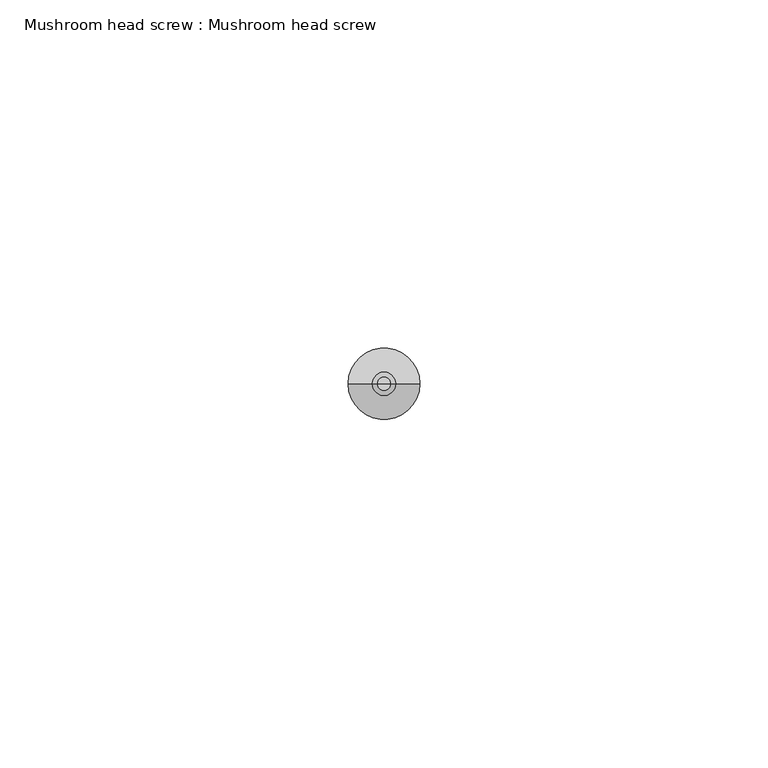
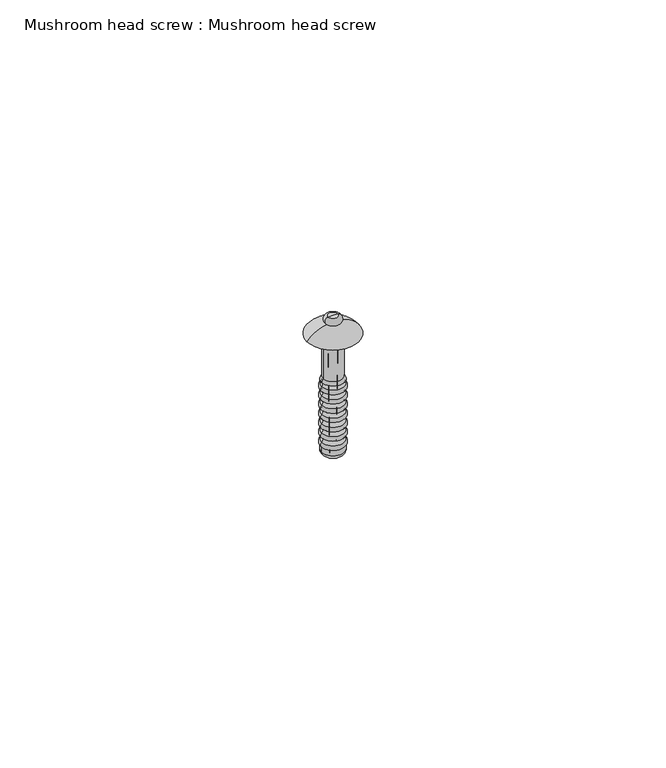
"""IFC4 building model written with IfcOpenShell, lengths in millimetres: proxy geometry, Mushroom head screw : Mushroom head screw."""

import ifcopenshell
import ifcopenshell.guid

model = None  # the IFC model being written
_history = None  # IfcOwnerHistory: only IFC2X3 demands one
_inside = {}  # id of a spatial element -> (the spatial element, [elements in it])
_under = {}  # id of a project, library or spatial element -> (it, [spatial elements below it])
_declared = {}  # id of a project -> (the project, [libraries it declares])
_typed = {}  # id of a type object -> (the type object, [elements of that type])
_made_of = {}  # id of a material, layer set ... -> (it, [elements and type objects made of it])


def new_model(schema):
    """Start an empty IFC model of exactly this schema.

    Asked for "IFC4X3", IfcOpenShell would pick the latest addendum, in which some entities
    have other attributes; the version numbers below select the first issue.
    IFC2X3 requires an IfcOwnerHistory on every rooted entity: one is made here for all.
    """
    global model, _history
    if schema == "IFC4X3":
        model = ifcopenshell.file(schema_version=(4, 3, 0, 0))
    else:
        model = ifcopenshell.file(schema=schema)
    _inside.clear()
    _under.clear()
    _declared.clear()
    _typed.clear()
    _made_of.clear()
    _history = None
    if model.schema == "IFC2X3":
        org = make("IfcOrganization", Name="unknown")
        user = make(
            "IfcPersonAndOrganization",
            ThePerson=make("IfcPerson", FamilyName="unknown"),
            TheOrganization=org,
        )
        app = make(
            "IfcApplication",
            ApplicationDeveloper=org,
            Version="unknown",
            ApplicationFullName="unknown",
            ApplicationIdentifier="unknown",
        )
        _history = make(
            "IfcOwnerHistory",
            OwningUser=user,
            OwningApplication=app,
            ChangeAction="ADDED",
            CreationDate=0,
        )
    return model


def make(cls, **values):
    """One entity of the class cls with the attributes given. An attribute that is None is left unset."""
    return model.create_entity(
        cls, **{name: value for name, value in values.items() if value is not None}
    )


def rooted(cls, **values):
    """An entity with a GlobalId (a new one), such as an element, a storey or a relation."""
    return make(cls, GlobalId=ifcopenshell.guid.new(), OwnerHistory=_history, **values)


def si_unit(unit_type, name, prefix=None):
    """IfcSIUnit, for example si_unit("LENGTHUNIT", "METRE", prefix="MILLI")."""
    return make("IfcSIUnit", UnitType=unit_type, Prefix=prefix, Name=name)


def assignment(units):
    """IfcUnitAssignment: the units of a project."""
    return None if units is None else make("IfcUnitAssignment", Units=units)


def point(xyz):
    """IfcCartesianPoint."""
    return None if xyz is None else make("IfcCartesianPoint", Coordinates=xyz)


def direction(xyz):
    """IfcDirection."""
    return None if xyz is None else make("IfcDirection", DirectionRatios=xyz)


def frame(location, z_axis=None, x_axis=None):
    """IfcAxis2Placement3D, a coordinate frame: its origin and axes. An axis left out is left unset."""
    return make(
        "IfcAxis2Placement3D",
        Location=point(location),
        Axis=direction(z_axis),
        RefDirection=direction(x_axis),
    )


def origin():
    """The frame at (0, 0, 0) with its axes left unset."""
    return frame((0.0, 0.0, 0.0))


def place(relative_to, where):
    """IfcLocalPlacement: puts the frame where relative to a parent placement (None: the world)."""
    return make(
        "IfcLocalPlacement", PlacementRelTo=relative_to, RelativePlacement=where
    )


def context(
    kind, dimensions, precision=None, world=None, true_north=None, identifier=None
):
    """IfcGeometricRepresentationContext, for example the 3D "Model" context."""
    return make(
        "IfcGeometricRepresentationContext",
        ContextIdentifier=identifier,
        ContextType=kind,
        CoordinateSpaceDimension=dimensions,
        Precision=precision,
        WorldCoordinateSystem=world,
        TrueNorth=true_north,
    )


def project(units=None, contexts=None):
    """IfcProject with its units and contexts."""
    return rooted(
        "IfcProject",
        Name="project",
        RepresentationContexts=contexts,
        UnitsInContext=assignment(units),
    )


def spatial(cls, under=None, at=None, **own):
    """A site, building, storey or space (cls), placed at a placement, below another one or the project."""
    s = rooted(cls, ObjectPlacement=at, **own)
    if under is not None:
        _under.setdefault(under.id(), (under, []))[1].append(s)
    return s


def polyline(points):
    """IfcPolyline through the points."""
    return make("IfcPolyline", Points=[point(p) for p in points])


def circle_curve(where, radius):
    """IfcCircle in the frame where."""
    return make("IfcCircle", Position=where, Radius=radius)


def ellipse_curve(where, semi_axis1, semi_axis2):
    """IfcEllipse in the frame where."""
    return make(
        "IfcEllipse", Position=where, SemiAxis1=semi_axis1, SemiAxis2=semi_axis2
    )


def trimmed(basis, trim1, trim2, sense, master):
    """IfcTrimmedCurve: the piece of a basis curve between two trims."""
    return make(
        "IfcTrimmedCurve",
        BasisCurve=basis,
        Trim1=trim1,
        Trim2=trim2,
        SenseAgreement=sense,
        MasterRepresentation=master,
    )


def shape(context_of_items, identifier, shape_type, items):
    """IfcShapeRepresentation: the items that make up one representation, for example the "Body"."""
    return make(
        "IfcShapeRepresentation",
        ContextOfItems=context_of_items,
        RepresentationIdentifier=identifier,
        RepresentationType=shape_type,
        Items=items,
    )


def source(mapping_origin, context_of_items, identifier, shape_type, items):
    """IfcRepresentationMap: a shape defined once, which mapped items show again and again."""
    return make(
        "IfcRepresentationMap",
        MappingOrigin=mapping_origin,
        MappedRepresentation=shape(context_of_items, identifier, shape_type, items),
    )


def transform(
    local_origin,
    x_axis=None,
    y_axis=None,
    z_axis=None,
    scale=None,
    scale2=None,
    scale3=None,
    uniform=True,
):
    """IfcCartesianTransformationOperator3D, or its non-uniform kind. x_axis, y_axis, z_axis: its Axis1, 2, 3."""
    if uniform:
        return make(
            "IfcCartesianTransformationOperator3D",
            Axis1=direction(x_axis),
            Axis2=direction(y_axis),
            LocalOrigin=point(local_origin),
            Scale=scale,
            Axis3=direction(z_axis),
        )
    return make(
        "IfcCartesianTransformationOperator3DnonUniform",
        Axis1=direction(x_axis),
        Axis2=direction(y_axis),
        LocalOrigin=point(local_origin),
        Scale=scale,
        Axis3=direction(z_axis),
        Scale2=scale2,
        Scale3=scale3,
    )


def mapped(mapping_source, mapping_target):
    """IfcMappedItem: shows the shape of a source again, moved by a transform."""
    return make(
        "IfcMappedItem", MappingSource=mapping_source, MappingTarget=mapping_target
    )


def made_of(thing, what):
    """Note that an element or type object is made of a material, layer set ...; save() writes the relation."""
    if what is not None:
        _made_of.setdefault(what.id(), (what, []))[1].append(thing)
    return thing


def element(
    cls,
    number,
    at=None,
    inside=None,
    cuts=None,
    type_object=None,
    material=None,
    context=None,
    identifier="Body",
    shape_type=None,
    held_by="IfcProductDefinitionShape",
    body=None,
    shapes=None,
    **own,
):
    """One element of the class cls, such as IfcWall. Its Tag is "e" and its number.

    at: its placement. inside: the storey or other place that contains it. cuts: it is an
    opening in that element (IfcRelVoidsElement). A single representation is given by context,
    identifier, shape_type and body (its items); several are given by shapes. held_by: the class
    of the entity that holds the representations. save() writes the other relations.
    """
    e = rooted(cls, Tag="e%d" % number, ObjectPlacement=at, **own)
    if body is not None:
        shapes = [shape(context, identifier, shape_type, body)]
    if shapes is not None:
        e.Representation = make(held_by, Representations=shapes)
    if inside is not None:
        _inside.setdefault(inside.id(), (inside, []))[1].append(e)
    if cuts is not None:
        rooted(
            "IfcRelVoidsElement", RelatingBuildingElement=cuts, RelatedOpeningElement=e
        )
    if type_object is not None:
        _typed.setdefault(type_object.id(), (type_object, []))[1].append(e)
    return made_of(e, material)


def aggregate(whole, parts):
    """IfcRelAggregates: a whole, such as a stair, and the parts it consists of."""
    return rooted("IfcRelAggregates", RelatingObject=whole, RelatedObjects=parts)


def save(model, path):
    """Write the relations noted so far, then the file.

    IfcRelAggregates (storeys below a building ...), IfcRelContainedInSpatialStructure (elements
    in a storey), IfcRelDefinesByType, IfcRelAssociatesMaterial and IfcRelDeclares: one each for
    every whole, place, type object, material and project.
    """
    for whole, parts in _under.values():
        aggregate(whole, parts)
    for where, things in _inside.values():
        rooted(
            "IfcRelContainedInSpatialStructure",
            RelatedElements=things,
            RelatingStructure=where,
        )
    for kind, things in _typed.values():
        rooted("IfcRelDefinesByType", RelatedObjects=things, RelatingType=kind)
    for what, things in _made_of.values():
        rooted("IfcRelAssociatesMaterial", RelatedObjects=things, RelatingMaterial=what)
    for by, libraries in _declared.values():
        rooted("IfcRelDeclares", RelatingContext=by, RelatedDefinitions=libraries)
    model.write(path)


def plane_surface(at):
    """IfcPlane: the flat surface through the origin of the frame at, square to its z axis."""
    return make("IfcPlane", Position=at)


def cylinder_surface(at, radius):
    """IfcCylindricalSurface: all points at the distance radius from the z axis of the frame at."""
    return make("IfcCylindricalSurface", Position=at, Radius=radius)


def revolved_surface(curve, axis_point, axis_direction):
    """IfcSurfaceOfRevolution: the curve turned about the line through axis_point along axis_direction."""
    return make(
        "IfcSurfaceOfRevolution",
        SweptCurve=make("IfcArbitraryOpenProfileDef", ProfileType="CURVE", Curve=curve),
        AxisPosition=make("IfcAxis1Placement", Location=point(axis_point), Axis=direction(axis_direction)),
    )


def advanced_brep(points, edges, surfaces, faces):
    """IfcAdvancedBrep: a solid bounded by faces that lie on surfaces and meet in shared edges.

    An edge is (start, end): straight between two places in points (the first is 0);
    or (start, end, curve); or (start, end, curve, False) where it runs against its curve.
    A face is (place in surfaces, loops), or (place, loops, False) where it looks against
    its surface's normal. A loop lists edges by number (the first is 1), with a minus sign
    where the edge is run from its end to its start. The first loop is the outer one.
    """
    corners = [point(p) for p in points]
    vertices = [make("IfcVertexPoint", VertexGeometry=c) for c in corners]
    made = []
    for start, end, *more in edges:
        made.append(
            make(
                "IfcEdgeCurve",
                EdgeStart=vertices[start],
                EdgeEnd=vertices[end],
                EdgeGeometry=more[0] if more else make("IfcPolyline", Points=[corners[start], corners[end]]),
                SameSense=more[1] if len(more) > 1 else True,
            )
        )
    hull = []
    for where, loops, *sense in faces:
        bounds = []
        for j, loop in enumerate(loops):
            ring = [make("IfcOrientedEdge", EdgeElement=made[abs(k) - 1], Orientation=k > 0) for k in loop]
            bounds.append(
                make(
                    "IfcFaceOuterBound" if j == 0 else "IfcFaceBound",
                    Bound=make("IfcEdgeLoop", EdgeList=ring),
                    Orientation=True,
                )
            )
        hull.append(make("IfcAdvancedFace", Bounds=bounds, FaceSurface=surfaces[where], SameSense=sense[0] if sense else True))
    return make("IfcAdvancedBrep", Outer=make("IfcClosedShell", CfsFaces=hull))


def mushroom_head_screw_mushroom_head_screw_41b6ee97(model_context):
    return source(origin(), model_context, "Body", "AdvancedBrep", [
        advanced_brep(
        [(-0.6234922, 0.0, -21.5908837), (0.6234922, 0.0, -21.5908837), (0.0, 0.0, -23.6302347), (-0.8, 0.0, -3.6302347), (0.8, 0.0, -3.6302347), (0.0, 0.0, -3.6302347)],
        [
            (0, 1, circle_curve(frame((0.0, 0.0, -21.5908837), z_axis=(0.0, 0.0, -1.0), x_axis=(1.0, 0.0, 0.0)), 0.6234922)),
            (1, 2),
            (2, 0),
            (1, 0, circle_curve(frame((0.0, 0.0, -21.5908837), z_axis=(0.0, 0.0, -1.0), x_axis=(1.0, 0.0, 0.0)), 0.6234922)),
            (3, 4, circle_curve(frame((0.0, 0.0, -3.6302347), z_axis=(0.0, 0.0, -1.0), x_axis=(1.0, 0.0, 0.0)), 0.8)),
            (4, 1),
            (0, 3),
            (4, 3, circle_curve(frame((0.0, 0.0, -3.6302347), z_axis=(0.0, 0.0, -1.0), x_axis=(1.0, 0.0, 0.0)), 0.8)),
            (5, 4),
            (3, 5),
        ],
        [
            revolved_surface(polyline([(0.0, 0.0, -23.6302347), (0.6234922, 0.0, -21.5908837)]), (0.0, 0.0, 0.0), (0.0, 0.0, 1.0)),
            revolved_surface(polyline([(0.6234922, 0.0, -21.5908837), (0.8, 0.0, -3.6302347)]), (0.0, 0.0, 0.0), (0.0, 0.0, 1.0)),
            plane_surface(frame((0.0, 0.0, -3.6302347), z_axis=(0.0, 0.0, 1.0), x_axis=(1.0, 0.0, 0.0))),
        ],
        [
            (0, [[1, 2, 3]]),
            (0, [[4, -3, -2]]),
            (1, [[5, 6, -1, 7]]),
            (1, [[8, -7, -4, -6]]),
            (2, [[9, -5, 10]]),
            (2, [[-10, -8, -9]]),
        ],
    ),
        advanced_brep(
        [(-0.8, 0.0, -3.6302347), (0.8, 0.0, -3.6302347), (0.0, 0.0, -3.6302347), (-0.5191862, 0.0, -25.0013937), (0.5191862, 0.0, -25.0013937), (-1.5191862, 0.0, -25.0013937), (1.5191862, 0.0, -25.0013937), (-2.2649363, 0.0, -24.1435063), (2.2649363, 0.0, -24.1435063), (-2.2649363, 0.0, -23.0427099), (2.2649363, 0.0, -23.0427099), (-2.2649363, 0.0, -22.0638705), (2.2649363, 0.0, -22.0638705), (-2.2649363, 0.0, -21.1029505), (2.2649363, 0.0, -21.1029505), (-2.2649363, 0.0, -20.124111), (2.2649363, 0.0, -20.124111), (-2.2649363, 0.0, -19.163191), (2.2649363, 0.0, -19.163191), (-2.2649363, 0.0, -18.1843516), (2.2649363, 0.0, -18.1843516), (-2.2649363, 0.0, -17.2234316), (2.2649363, 0.0, -17.2234316), (-2.2649363, 0.0, -16.2445921), (2.2649363, 0.0, -16.2445921), (-2.2649363, 0.0, -15.2836722), (2.2649363, 0.0, -15.2836722), (-2.2649363, 0.0, -14.3048327), (2.2649363, 0.0, -14.3048327), (-2.2649363, 0.0, -13.3439127), (2.2649363, 0.0, -13.3439127), (-2.2649363, 0.0, -12.3650733), (2.2649363, 0.0, -12.3650733), (-2.2649363, 0.0, -11.4041533), (2.2649363, 0.0, -11.4041533), (-2.2649363, 0.0, -10.4253138), (2.2649363, 0.0, -10.4253138), (-2.2649363, 0.0, -9.5987495), (2.2649363, 0.0, -9.5987495), (-1.9517118, 0.0, -8.8608387), (1.9517118, 0.0, -8.8608387), (-1.9517118, 0.0, 0.0), (1.9517118, 0.0, 0.0), (-5.1406097, 0.0, 0.0), (5.1406097, 0.0, 0.0), (-0.9249192, 0.0, 2.2317279), (0.9249192, 0.0, 2.2317279), (-1.0, 0.0, 3.6643541), (1.0, 0.0, 3.6643541), (0.0, 0.0, 3.6643541)],
        [
            (0, 1, circle_curve(frame((0.0, 0.0, -3.6302347), z_axis=(0.0, 0.0, -1.0), x_axis=(1.0, 0.0, 0.0)), 0.8)),
            (1, 2),
            (2, 0),
            (1, 0, circle_curve(frame((0.0, 0.0, -3.6302347), z_axis=(0.0, 0.0, -1.0), x_axis=(1.0, 0.0, 0.0)), 0.8)),
            (3, 4, circle_curve(frame((0.0, 0.0, -25.0013937), z_axis=(0.0, 0.0, -1.0), x_axis=(1.0, 0.0, 0.0)), 0.5191862)),
            (4, 1),
            (0, 3),
            (4, 3, circle_curve(frame((0.0, 0.0, -25.0013937), z_axis=(0.0, 0.0, -1.0), x_axis=(1.0, 0.0, 0.0)), 0.5191862)),
            (5, 6, circle_curve(frame((0.0, 0.0, -25.0013937), z_axis=(0.0, 0.0, -1.0), x_axis=(1.0, 0.0, 0.0)), 1.5191862)),
            (6, 4),
            (3, 5),
            (6, 5, circle_curve(frame((0.0, 0.0, -25.0013937), z_axis=(0.0, 0.0, -1.0), x_axis=(1.0, 0.0, 0.0)), 1.5191862)),
            (7, 8, circle_curve(frame((0.0, 0.0, -24.1435063), z_axis=(0.0, 0.0, -1.0), x_axis=(1.0, 0.0, 0.0)), 2.2649363)),
            (8, 6, circle_curve(frame((1.398618, 0.0, -24.1435063), z_axis=(0.0, 1.0, 0.0), x_axis=(1.0, 0.0, 0.0)), 0.8663184)),
            (5, 7, circle_curve(frame((-1.398618, 0.0, -24.1435063), z_axis=(0.0, 1.0, 0.0), x_axis=(-1.0, 0.0, 0.0)), 0.8663184)),
            (8, 7, circle_curve(frame((0.0, 0.0, -24.1435063), z_axis=(0.0, 0.0, -1.0), x_axis=(1.0, 0.0, 0.0)), 2.2649363)),
            (9, 10, circle_curve(frame((0.0, 0.0, -23.0427099), z_axis=(0.0, 0.0, -1.0), x_axis=(1.0, 0.0, 0.0)), 2.2649363)),
            (10, 8),
            (7, 9),
            (10, 9, circle_curve(frame((0.0, 0.0, -23.0427099), z_axis=(0.0, 0.0, -1.0), x_axis=(1.0, 0.0, 0.0)), 2.2649363)),
            (11, 12, circle_curve(frame((0.0, 0.0, -22.0638705), z_axis=(0.0, 0.0, -1.0), x_axis=(1.0, 0.0, 0.0)), 2.2649363)),
            (12, 10, circle_curve(frame((1.8254841, 0.0, -22.5532902), z_axis=(0.0, 1.0, 0.0), x_axis=(1.0, 0.0, 0.0)), 0.6577613)),
            (9, 11, circle_curve(frame((-1.8254841, 0.0, -22.5532902), z_axis=(0.0, 1.0, 0.0), x_axis=(-1.0, 0.0, 0.0)), 0.6577613)),
            (12, 11, circle_curve(frame((0.0, 0.0, -22.0638705), z_axis=(0.0, 0.0, -1.0), x_axis=(1.0, 0.0, 0.0)), 2.2649363)),
            (13, 14, circle_curve(frame((0.0, 0.0, -21.1029505), z_axis=(0.0, 0.0, -1.0), x_axis=(1.0, 0.0, 0.0)), 2.2649363)),
            (14, 12, circle_curve(frame((2.6963436, 0.0, -21.5834105), z_axis=(0.0, -1.0, 0.0), x_axis=(1.0, 0.0, 0.0)), 0.6457198)),
            (11, 13, circle_curve(frame((-2.6963436, 0.0, -21.5834105), z_axis=(0.0, -1.0, 0.0), x_axis=(-1.0, 0.0, 0.0)), 0.6457198)),
            (14, 13, circle_curve(frame((0.0, 0.0, -21.1029505), z_axis=(0.0, 0.0, -1.0), x_axis=(1.0, 0.0, 0.0)), 2.2649363)),
            (15, 16, circle_curve(frame((0.0, 0.0, -20.124111), z_axis=(0.0, 0.0, -1.0), x_axis=(1.0, 0.0, 0.0)), 2.2649363)),
            (16, 14, circle_curve(frame((1.8254841, 0.0, -20.6135308), z_axis=(0.0, 1.0, 0.0), x_axis=(1.0, 0.0, 0.0)), 0.6577613)),
            (13, 15, circle_curve(frame((-1.8254841, 0.0, -20.6135308), z_axis=(0.0, 1.0, 0.0), x_axis=(-1.0, 0.0, 0.0)), 0.6577613)),
            (16, 15, circle_curve(frame((0.0, 0.0, -20.124111), z_axis=(0.0, 0.0, -1.0), x_axis=(1.0, 0.0, 0.0)), 2.2649363)),
            (17, 18, circle_curve(frame((0.0, 0.0, -19.163191), z_axis=(0.0, 0.0, -1.0), x_axis=(1.0, 0.0, 0.0)), 2.2649363)),
            (18, 16, circle_curve(frame((2.6963436, 0.0, -19.643651), z_axis=(0.0, -1.0, 0.0), x_axis=(1.0, 0.0, 0.0)), 0.6457198)),
            (15, 17, circle_curve(frame((-2.6963436, 0.0, -19.643651), z_axis=(0.0, -1.0, 0.0), x_axis=(-1.0, 0.0, 0.0)), 0.6457198)),
            (18, 17, circle_curve(frame((0.0, 0.0, -19.163191), z_axis=(0.0, 0.0, -1.0), x_axis=(1.0, 0.0, 0.0)), 2.2649363)),
            (19, 20, circle_curve(frame((0.0, 0.0, -18.1843516), z_axis=(0.0, 0.0, -1.0), x_axis=(1.0, 0.0, 0.0)), 2.2649363)),
            (20, 18, circle_curve(frame((1.8254841, 0.0, -18.6737713), z_axis=(0.0, 1.0, 0.0), x_axis=(1.0, 0.0, 0.0)), 0.6577613)),
            (17, 19, circle_curve(frame((-1.8254841, 0.0, -18.6737713), z_axis=(0.0, 1.0, 0.0), x_axis=(-1.0, 0.0, 0.0)), 0.6577613)),
            (20, 19, circle_curve(frame((0.0, 0.0, -18.1843516), z_axis=(0.0, 0.0, -1.0), x_axis=(1.0, 0.0, 0.0)), 2.2649363)),
            (21, 22, circle_curve(frame((0.0, 0.0, -17.2234316), z_axis=(0.0, 0.0, -1.0), x_axis=(1.0, 0.0, 0.0)), 2.2649363)),
            (22, 20, circle_curve(frame((2.6963436, 0.0, -17.7038916), z_axis=(0.0, -1.0, 0.0), x_axis=(1.0, 0.0, 0.0)), 0.6457198)),
            (19, 21, circle_curve(frame((-2.6963436, 0.0, -17.7038916), z_axis=(0.0, -1.0, 0.0), x_axis=(-1.0, 0.0, 0.0)), 0.6457198)),
            (22, 21, circle_curve(frame((0.0, 0.0, -17.2234316), z_axis=(0.0, 0.0, -1.0), x_axis=(1.0, 0.0, 0.0)), 2.2649363)),
            (23, 24, circle_curve(frame((0.0, 0.0, -16.2445921), z_axis=(0.0, 0.0, -1.0), x_axis=(1.0, 0.0, 0.0)), 2.2649363)),
            (24, 22, circle_curve(frame((1.8254841, 0.0, -16.7340119), z_axis=(0.0, 1.0, 0.0), x_axis=(1.0, 0.0, 0.0)), 0.6577613)),
            (21, 23, circle_curve(frame((-1.8254841, 0.0, -16.7340119), z_axis=(0.0, 1.0, 0.0), x_axis=(-1.0, 0.0, 0.0)), 0.6577613)),
            (24, 23, circle_curve(frame((0.0, 0.0, -16.2445921), z_axis=(0.0, 0.0, -1.0), x_axis=(1.0, 0.0, 0.0)), 2.2649363)),
            (25, 26, circle_curve(frame((0.0, 0.0, -15.2836722), z_axis=(0.0, 0.0, -1.0), x_axis=(1.0, 0.0, 0.0)), 2.2649363)),
            (26, 24, circle_curve(frame((2.6963436, 0.0, -15.7641321), z_axis=(0.0, -1.0, 0.0), x_axis=(1.0, 0.0, 0.0)), 0.6457198)),
            (23, 25, circle_curve(frame((-2.6963436, 0.0, -15.7641321), z_axis=(0.0, -1.0, 0.0), x_axis=(-1.0, 0.0, 0.0)), 0.6457198)),
            (26, 25, circle_curve(frame((0.0, 0.0, -15.2836722), z_axis=(0.0, 0.0, -1.0), x_axis=(1.0, 0.0, 0.0)), 2.2649363)),
            (27, 28, circle_curve(frame((0.0, 0.0, -14.3048327), z_axis=(0.0, 0.0, -1.0), x_axis=(1.0, 0.0, 0.0)), 2.2649363)),
            (28, 26, circle_curve(frame((1.8254841, 0.0, -14.7942524), z_axis=(0.0, 1.0, 0.0), x_axis=(1.0, 0.0, 0.0)), 0.6577613)),
            (25, 27, circle_curve(frame((-1.8254841, 0.0, -14.7942524), z_axis=(0.0, 1.0, 0.0), x_axis=(-1.0, 0.0, 0.0)), 0.6577613)),
            (28, 27, circle_curve(frame((0.0, 0.0, -14.3048327), z_axis=(0.0, 0.0, -1.0), x_axis=(1.0, 0.0, 0.0)), 2.2649363)),
            (29, 30, circle_curve(frame((0.0, 0.0, -13.3439127), z_axis=(0.0, 0.0, -1.0), x_axis=(1.0, 0.0, 0.0)), 2.2649363)),
            (30, 28, circle_curve(frame((2.6963436, 0.0, -13.8243727), z_axis=(0.0, -1.0, 0.0), x_axis=(1.0, 0.0, 0.0)), 0.6457198)),
            (27, 29, circle_curve(frame((-2.6963436, 0.0, -13.8243727), z_axis=(0.0, -1.0, 0.0), x_axis=(-1.0, 0.0, 0.0)), 0.6457198)),
            (30, 29, circle_curve(frame((0.0, 0.0, -13.3439127), z_axis=(0.0, 0.0, -1.0), x_axis=(1.0, 0.0, 0.0)), 2.2649363)),
            (31, 32, circle_curve(frame((0.0, 0.0, -12.3650733), z_axis=(0.0, 0.0, -1.0), x_axis=(1.0, 0.0, 0.0)), 2.2649363)),
            (32, 30, circle_curve(frame((1.8254841, 0.0, -12.854493), z_axis=(0.0, 1.0, 0.0), x_axis=(1.0, 0.0, 0.0)), 0.6577613)),
            (29, 31, circle_curve(frame((-1.8254841, 0.0, -12.854493), z_axis=(0.0, 1.0, 0.0), x_axis=(-1.0, 0.0, 0.0)), 0.6577613)),
            (32, 31, circle_curve(frame((0.0, 0.0, -12.3650733), z_axis=(0.0, 0.0, -1.0), x_axis=(1.0, 0.0, 0.0)), 2.2649363)),
            (33, 34, circle_curve(frame((0.0, 0.0, -11.4041533), z_axis=(0.0, 0.0, -1.0), x_axis=(1.0, 0.0, 0.0)), 2.2649363)),
            (34, 32, circle_curve(frame((2.6963436, 0.0, -11.8846133), z_axis=(0.0, -1.0, 0.0), x_axis=(1.0, 0.0, 0.0)), 0.6457198)),
            (31, 33, circle_curve(frame((-2.6963436, 0.0, -11.8846133), z_axis=(0.0, -1.0, 0.0), x_axis=(-1.0, 0.0, 0.0)), 0.6457198)),
            (34, 33, circle_curve(frame((0.0, 0.0, -11.4041533), z_axis=(0.0, 0.0, -1.0), x_axis=(1.0, 0.0, 0.0)), 2.2649363)),
            (35, 36, circle_curve(frame((0.0, 0.0, -10.4253138), z_axis=(0.0, 0.0, -1.0), x_axis=(1.0, 0.0, 0.0)), 2.2649363)),
            (36, 34, circle_curve(frame((1.8254841, 0.0, -10.9147335), z_axis=(0.0, 1.0, 0.0), x_axis=(1.0, 0.0, 0.0)), 0.6577613)),
            (33, 35, circle_curve(frame((-1.8254841, 0.0, -10.9147335), z_axis=(0.0, 1.0, 0.0), x_axis=(-1.0, 0.0, 0.0)), 0.6577613)),
            (36, 35, circle_curve(frame((0.0, 0.0, -10.4253138), z_axis=(0.0, 0.0, -1.0), x_axis=(1.0, 0.0, 0.0)), 2.2649363)),
            (37, 38, circle_curve(frame((0.0, 0.0, -9.5987495), z_axis=(0.0, 0.0, -1.0), x_axis=(1.0, 0.0, 0.0)), 2.2649363)),
            (38, 36, circle_curve(frame((2.6360243, 0.0, -10.0120317), z_axis=(0.0, -1.0, 0.0), x_axis=(1.0, 0.0, 0.0)), 0.5554354)),
            (35, 37, circle_curve(frame((-2.6360243, 0.0, -10.0120317), z_axis=(0.0, -1.0, 0.0), x_axis=(-1.0, 0.0, 0.0)), 0.5554354)),
            (38, 37, circle_curve(frame((0.0, 0.0, -9.5987495), z_axis=(0.0, 0.0, -1.0), x_axis=(1.0, 0.0, 0.0)), 2.2649363)),
            (39, 40, circle_curve(frame((0.0, 0.0, -8.8608387), z_axis=(0.0, 0.0, -1.0), x_axis=(1.0, 0.0, 0.0)), 1.9517118)),
            (40, 38),
            (37, 39),
            (40, 39, circle_curve(frame((0.0, 0.0, -8.8608387), z_axis=(0.0, 0.0, -1.0), x_axis=(1.0, 0.0, 0.0)), 1.9517118)),
            (41, 42, circle_curve(frame((0.0, 0.0, 0.0), z_axis=(0.0, 0.0, -1.0), x_axis=(1.0, 0.0, 0.0)), 1.9517118)),
            (42, 40),
            (39, 41),
            (42, 41, circle_curve(frame((0.0, 0.0, 0.0), z_axis=(0.0, 0.0, -1.0), x_axis=(1.0, 0.0, 0.0)), 1.9517118)),
            (43, 44, circle_curve(frame((0.0, 0.0, 0.0), z_axis=(0.0, 0.0, -1.0), x_axis=(1.0, 0.0, 0.0)), 5.1406097)),
            (44, 42),
            (41, 43),
            (44, 43, circle_curve(frame((0.0, 0.0, 0.0), z_axis=(0.0, 0.0, -1.0), x_axis=(1.0, 0.0, 0.0)), 5.1406097)),
            (45, 46, circle_curve(frame((0.0, 0.0, 2.2317279), z_axis=(0.0, 0.0, -1.0), x_axis=(1.0, 0.0, 0.0)), 0.9249192)),
            (46, 44, circle_curve(frame((0.7727863, 0.0, -3.1531906), z_axis=(0.0, 1.0, 0.0), x_axis=(1.0, 0.0, 0.0)), 5.3870671)),
            (43, 45, circle_curve(frame((-0.7727863, 0.0, -3.1531906), z_axis=(0.0, 1.0, 0.0), x_axis=(-1.0, 0.0, 0.0)), 5.3870671)),
            (46, 45, circle_curve(frame((0.0, 0.0, 2.2317279), z_axis=(0.0, 0.0, -1.0), x_axis=(1.0, 0.0, 0.0)), 0.9249192)),
            (47, 48, circle_curve(frame((0.0, 0.0, 3.6643541), z_axis=(0.0, 0.0, -1.0), x_axis=(1.0, 0.0, 0.0)), 1.0)),
            (48, 46, circle_curve(frame((0.9451819, 0.0, 2.9489465), z_axis=(0.0, 1.0, 0.0), x_axis=(1.0, 0.0, 0.0)), 0.7175048)),
            (45, 47, circle_curve(frame((-0.9451819, 0.0, 2.9489465), z_axis=(0.0, 1.0, 0.0), x_axis=(-1.0, 0.0, 0.0)), 0.7175048)),
            (48, 47, circle_curve(frame((0.0, 0.0, 3.6643541), z_axis=(0.0, 0.0, -1.0), x_axis=(1.0, 0.0, 0.0)), 1.0)),
            (49, 48),
            (47, 49),
        ],
        [
            plane_surface(frame((0.0, 0.0, -3.6302347), z_axis=(0.0, 0.0, -1.0), x_axis=(1.0, 0.0, 0.0))),
            revolved_surface(polyline([(0.8, 0.0, -3.6302347), (0.5191862, 0.0, -25.0013937)]), (0.0, 0.0, 3.6643541), (0.0, 0.0, 1.0)),
            plane_surface(frame((0.0, 0.0, -25.0013937), z_axis=(0.0, 0.0, -1.0), x_axis=(1.0, 0.0, 0.0))),
            revolved_surface(trimmed(ellipse_curve(frame((1.398618, 0.0, -24.1435063), z_axis=(0.0, -1.0, 0.0), x_axis=(1.0, 0.0, 0.0)), 0.8663184, 0.8663184), [point((1.5191862, 0.0, -25.0013937))], [point((2.2649363, 0.0, -24.1435063))], True, "CARTESIAN"), (0.0, 0.0, 3.6643541), (0.0, 0.0, 1.0)),
            cylinder_surface(frame((0.0, 0.0, 3.6643541), z_axis=(0.0, 0.0, 1.0), x_axis=(1.0, 0.0, 0.0)), 2.2649363),
            revolved_surface(trimmed(ellipse_curve(frame((1.8254841, 0.0, -22.5532902), z_axis=(0.0, -1.0, 0.0), x_axis=(1.0, 0.0, 0.0)), 0.6577613, 0.6577613), [point((2.2649363, 0.0, -23.0427099))], [point((2.2649363, 0.0, -22.0638705))], True, "CARTESIAN"), (0.0, 0.0, 3.6643541), (0.0, 0.0, 1.0)),
            revolved_surface(trimmed(ellipse_curve(frame((2.6963436, 0.0, -21.5834105), z_axis=(0.0, 1.0, 0.0), x_axis=(1.0, 0.0, 0.0)), 0.6457198, 0.6457198), [point((2.2649363, 0.0, -22.0638705))], [point((2.2649363, 0.0, -21.1029505))], True, "CARTESIAN"), (0.0, 0.0, 3.6643541), (0.0, 0.0, 1.0)),
            revolved_surface(trimmed(ellipse_curve(frame((1.8254841, 0.0, -20.6135308), z_axis=(0.0, -1.0, 0.0), x_axis=(1.0, 0.0, 0.0)), 0.6577613, 0.6577613), [point((2.2649363, 0.0, -21.1029505))], [point((2.2649363, 0.0, -20.124111))], True, "CARTESIAN"), (0.0, 0.0, 3.6643541), (0.0, 0.0, 1.0)),
            revolved_surface(trimmed(ellipse_curve(frame((2.6963436, 0.0, -19.643651), z_axis=(0.0, 1.0, 0.0), x_axis=(1.0, 0.0, 0.0)), 0.6457198, 0.6457198), [point((2.2649363, 0.0, -20.124111))], [point((2.2649363, 0.0, -19.163191))], True, "CARTESIAN"), (0.0, 0.0, 3.6643541), (0.0, 0.0, 1.0)),
            revolved_surface(trimmed(ellipse_curve(frame((1.8254841, 0.0, -18.6737713), z_axis=(0.0, -1.0, 0.0), x_axis=(1.0, 0.0, 0.0)), 0.6577613, 0.6577613), [point((2.2649363, 0.0, -19.163191))], [point((2.2649363, 0.0, -18.1843516))], True, "CARTESIAN"), (0.0, 0.0, 3.6643541), (0.0, 0.0, 1.0)),
            revolved_surface(trimmed(ellipse_curve(frame((2.6963436, 0.0, -17.7038916), z_axis=(0.0, 1.0, 0.0), x_axis=(1.0, 0.0, 0.0)), 0.6457198, 0.6457198), [point((2.2649363, 0.0, -18.1843516))], [point((2.2649363, 0.0, -17.2234316))], True, "CARTESIAN"), (0.0, 0.0, 3.6643541), (0.0, 0.0, 1.0)),
            revolved_surface(trimmed(ellipse_curve(frame((1.8254841, 0.0, -16.7340119), z_axis=(0.0, -1.0, 0.0), x_axis=(1.0, 0.0, 0.0)), 0.6577613, 0.6577613), [point((2.2649363, 0.0, -17.2234316))], [point((2.2649363, 0.0, -16.2445921))], True, "CARTESIAN"), (0.0, 0.0, 3.6643541), (0.0, 0.0, 1.0)),
            revolved_surface(trimmed(ellipse_curve(frame((2.6963436, 0.0, -15.7641321), z_axis=(0.0, 1.0, 0.0), x_axis=(1.0, 0.0, 0.0)), 0.6457198, 0.6457198), [point((2.2649363, 0.0, -16.2445921))], [point((2.2649363, 0.0, -15.2836722))], True, "CARTESIAN"), (0.0, 0.0, 3.6643541), (0.0, 0.0, 1.0)),
            revolved_surface(trimmed(ellipse_curve(frame((1.8254841, 0.0, -14.7942524), z_axis=(0.0, -1.0, 0.0), x_axis=(1.0, 0.0, 0.0)), 0.6577613, 0.6577613), [point((2.2649363, 0.0, -15.2836722))], [point((2.2649363, 0.0, -14.3048327))], True, "CARTESIAN"), (0.0, 0.0, 3.6643541), (0.0, 0.0, 1.0)),
            revolved_surface(trimmed(ellipse_curve(frame((2.6963436, 0.0, -13.8243727), z_axis=(0.0, 1.0, 0.0), x_axis=(1.0, 0.0, 0.0)), 0.6457198, 0.6457198), [point((2.2649363, 0.0, -14.3048327))], [point((2.2649363, 0.0, -13.3439127))], True, "CARTESIAN"), (0.0, 0.0, 3.6643541), (0.0, 0.0, 1.0)),
            revolved_surface(trimmed(ellipse_curve(frame((1.8254841, 0.0, -12.854493), z_axis=(0.0, -1.0, 0.0), x_axis=(1.0, 0.0, 0.0)), 0.6577613, 0.6577613), [point((2.2649363, 0.0, -13.3439127))], [point((2.2649363, 0.0, -12.3650733))], True, "CARTESIAN"), (0.0, 0.0, 3.6643541), (0.0, 0.0, 1.0)),
            revolved_surface(trimmed(ellipse_curve(frame((2.6963436, 0.0, -11.8846133), z_axis=(0.0, 1.0, 0.0), x_axis=(1.0, 0.0, 0.0)), 0.6457198, 0.6457198), [point((2.2649363, 0.0, -12.3650733))], [point((2.2649363, 0.0, -11.4041533))], True, "CARTESIAN"), (0.0, 0.0, 3.6643541), (0.0, 0.0, 1.0)),
            revolved_surface(trimmed(ellipse_curve(frame((1.8254841, 0.0, -10.9147335), z_axis=(0.0, -1.0, 0.0), x_axis=(1.0, 0.0, 0.0)), 0.6577613, 0.6577613), [point((2.2649363, 0.0, -11.4041533))], [point((2.2649363, 0.0, -10.4253138))], True, "CARTESIAN"), (0.0, 0.0, 3.6643541), (0.0, 0.0, 1.0)),
            revolved_surface(trimmed(ellipse_curve(frame((2.6360243, 0.0, -10.0120317), z_axis=(0.0, 1.0, 0.0), x_axis=(1.0, 0.0, 0.0)), 0.5554354, 0.5554354), [point((2.2649363, 0.0, -10.4253138))], [point((2.2649363, 0.0, -9.5987495))], True, "CARTESIAN"), (0.0, 0.0, 3.6643541), (0.0, 0.0, 1.0)),
            revolved_surface(polyline([(2.2649363, 0.0, -9.5987495), (1.9517118, 0.0, -8.8608387)]), (0.0, 0.0, 3.6643541), (0.0, 0.0, 1.0)),
            cylinder_surface(frame((0.0, 0.0, 3.6643541), z_axis=(0.0, 0.0, 1.0), x_axis=(1.0, 0.0, 0.0)), 1.9517118),
            plane_surface(frame((0.0, 0.0, 0.0), z_axis=(0.0, 0.0, -1.0), x_axis=(1.0, 0.0, 0.0))),
            revolved_surface(trimmed(ellipse_curve(frame((0.7727863, 0.0, -3.1531906), z_axis=(0.0, -1.0, 0.0), x_axis=(1.0, 0.0, 0.0)), 5.3870671, 5.3870671), [point((5.1406097, 0.0, 0.0))], [point((0.9249192, 0.0, 2.2317279))], True, "CARTESIAN"), (0.0, 0.0, 3.6643541), (0.0, 0.0, 1.0)),
            revolved_surface(trimmed(ellipse_curve(frame((0.9451819, 0.0, 2.9489465), z_axis=(0.0, -1.0, 0.0), x_axis=(1.0, 0.0, 0.0)), 0.7175048, 0.7175048), [point((0.9249192, 0.0, 2.2317279))], [point((1.0, 0.0, 3.6643541))], True, "CARTESIAN"), (0.0, 0.0, 3.6643541), (0.0, 0.0, 1.0)),
            plane_surface(frame((0.0, 0.0, 3.6643541), z_axis=(0.0, 0.0, 1.0), x_axis=(1.0, 0.0, 0.0))),
        ],
        [
            (0, [[1, 2, 3]]),
            (0, [[4, -3, -2]]),
            (1, [[5, 6, -1, 7]]),
            (1, [[8, -7, -4, -6]]),
            (2, [[9, 10, -5, 11]]),
            (2, [[12, -11, -8, -10]]),
            (3, [[13, 14, -9, 15]]),
            (3, [[16, -15, -12, -14]]),
            (4, [[17, 18, -13, 19]]),
            (4, [[20, -19, -16, -18]]),
            (5, [[21, 22, -17, 23]]),
            (5, [[24, -23, -20, -22]]),
            (6, [[25, 26, -21, 27]]),
            (6, [[28, -27, -24, -26]]),
            (7, [[29, 30, -25, 31]]),
            (7, [[32, -31, -28, -30]]),
            (8, [[33, 34, -29, 35]]),
            (8, [[36, -35, -32, -34]]),
            (9, [[37, 38, -33, 39]]),
            (9, [[40, -39, -36, -38]]),
            (10, [[41, 42, -37, 43]]),
            (10, [[44, -43, -40, -42]]),
            (11, [[45, 46, -41, 47]]),
            (11, [[48, -47, -44, -46]]),
            (12, [[49, 50, -45, 51]]),
            (12, [[52, -51, -48, -50]]),
            (13, [[53, 54, -49, 55]]),
            (13, [[56, -55, -52, -54]]),
            (14, [[57, 58, -53, 59]]),
            (14, [[60, -59, -56, -58]]),
            (15, [[61, 62, -57, 63]]),
            (15, [[64, -63, -60, -62]]),
            (16, [[65, 66, -61, 67]]),
            (16, [[68, -67, -64, -66]]),
            (17, [[69, 70, -65, 71]]),
            (17, [[72, -71, -68, -70]]),
            (18, [[73, 74, -69, 75]]),
            (18, [[76, -75, -72, -74]]),
            (19, [[77, 78, -73, 79]]),
            (19, [[80, -79, -76, -78]]),
            (20, [[81, 82, -77, 83]]),
            (20, [[84, -83, -80, -82]]),
            (21, [[85, 86, -81, 87]]),
            (21, [[88, -87, -84, -86]]),
            (22, [[89, 90, -85, 91]]),
            (22, [[92, -91, -88, -90]]),
            (23, [[93, 94, -89, 95]]),
            (23, [[96, -95, -92, -94]]),
            (24, [[97, -93, 98]]),
            (24, [[-98, -96, -97]]),
        ],
    ),
    ])


if __name__ == "__main__":
    model = new_model("IFC4")
    model_context = context("Model", 3, world=origin())
    ifc_project = project(units=[si_unit("LENGTHUNIT", "METRE", prefix="MILLI")], contexts=[model_context])
    site = spatial("IfcSite", under=ifc_project)
    building = spatial("IfcBuilding", under=site)
    placement = place(None, origin())
    mushroom_head_screw_mushroom_head_screw_shape = mushroom_head_screw_mushroom_head_screw_41b6ee97(model_context)
    element("IfcBuildingElementProxy", 1, Name="Mushroom head screw : Mushroom head screw", ObjectType="Mushroom head screw : Mushroom head screw", at=placement, inside=building, context=model_context, shape_type="MappedRepresentation", body=[
        mapped(mushroom_head_screw_mushroom_head_screw_shape, transform((0.0, 0.0, 0.0), x_axis=(1.0, 0.0, 0.0), y_axis=(0.0, 1.0, 0.0), z_axis=(0.0, 0.0, 1.0))),
    ])
    save(model, "model.ifc")
